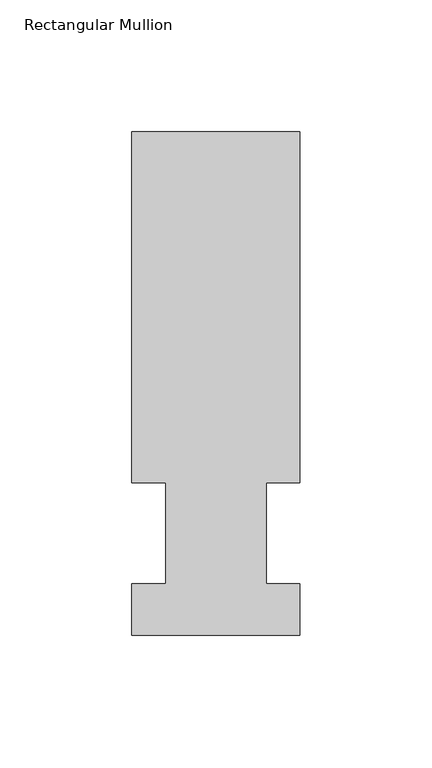
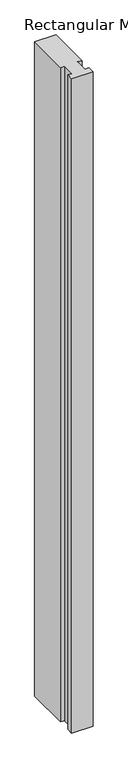
"""IFC4 building model written with IfcOpenShell, lengths in millimetres: member geometry, Rectangular Mullion."""

from ifc_helpers import new_model, si_unit, frame, origin, place, context, project, spatial, polyline, outline, extrude, source, transform, mapped, element, save


def rectangular_mullion_99e30a24(model_context):
    return source(origin(), model_context, "Body", "SweptSolid", [
        extrude(outline(polyline([(31.75, 190.5896938), (31.75, 57.6460937), (19.05, 57.6460937), (19.05, 19.5460938), (31.75, 19.5460938), (31.75, 0.0134938), (-31.75, 0.0134938), (-31.75, 19.5460938), (-19.05, 19.5460938), (-19.05, 57.6460937), (-31.7500006, 57.6460937), (-31.7500006, 190.5896938), (31.75, 190.5896938)])), frame((0.0, 0.0, -2057.4), z_axis=(0.0, 0.0, 1.0), x_axis=(1.0, 0.0, 0.0)), (0.0, 0.0, 1.0), 2057.4),
    ])


if __name__ == "__main__":
    model = new_model("IFC4")
    model_context = context("Model", 3, world=origin())
    ifc_project = project(units=[si_unit("LENGTHUNIT", "METRE", prefix="MILLI")], contexts=[model_context])
    site = spatial("IfcSite", under=ifc_project)
    building = spatial("IfcBuilding", under=site)
    placement = place(None, origin())
    rectangular_mullion_shape = rectangular_mullion_99e30a24(model_context)
    element("IfcMember", 1, ObjectType="Rectangular Mullion", at=placement, inside=building, context=model_context, shape_type="MappedRepresentation", body=[
        mapped(rectangular_mullion_shape, transform((0.0, 0.0, 0.0), x_axis=(1.0, 0.0, 0.0), y_axis=(0.0, 1.0, 0.0), z_axis=(0.0, 0.0, 1.0))),
    ])
    save(model, "model.ifc")
